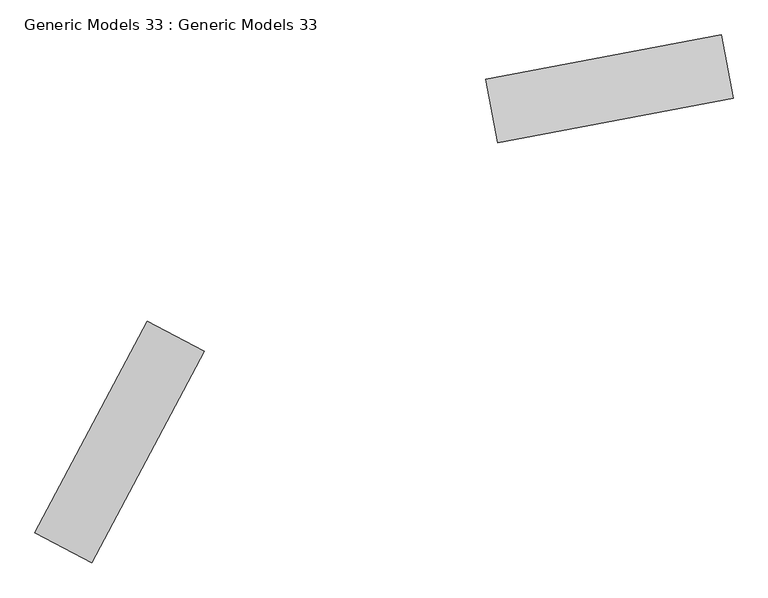
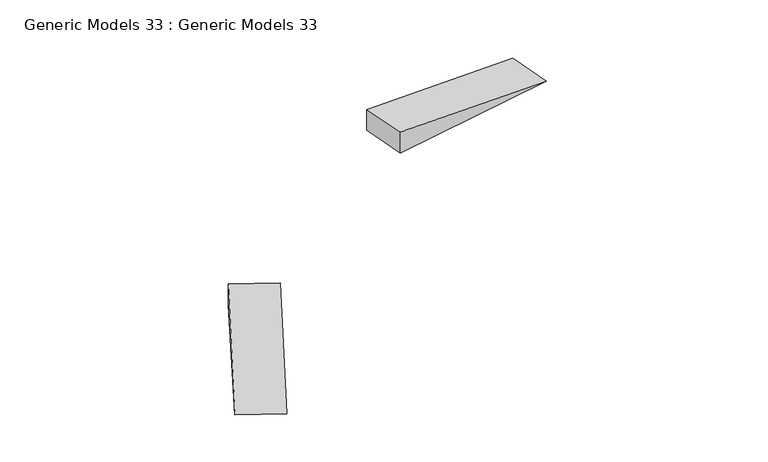
"""IFC4 building model written with IfcOpenShell, lengths in millimetres: proxy geometry, Generic Models 33 : Generic Models 33."""

from ifc_helpers import new_model, si_unit, frame, origin, place, context, project, spatial, polyline, outline, extrude, source, transform, mapped, element, save


def generic_models_33_generic_models_33_843564a5(model_context):
    return source(origin(), model_context, "Body", "SweptSolid", [
        extrude(outline(polyline([(-53824.5190369, 0.0), (-48678.5017427, 0.0), (-53824.5190369, -680.0), (-53824.5190369, 0.0)])), frame((-112581.6195532, -29776.5612976, 0.0), z_axis=(-0.18539676556461418, 0.9826637468219633, 0.0), x_axis=(0.9826637468219633, 0.18539676556461418, 0.0)), (0.0, 0.0, 1.0), 1386.719539),
        extrude(outline(polyline([(-680.0, 0.0), (0.0, 0.0), (-680.0, -5146.0172942), (-680.0, 0.0)])), frame((-171782.9124956, -44242.9939375, 680.0), z_axis=(-0.8830233946315735, 0.4693289726123163, 0.0), x_axis=(0.0, 0.0, 1.0)), (0.0, 0.0, 1.0), 1386.719539),
    ])


if __name__ == "__main__":
    model = new_model("IFC4")
    model_context = context("Model", 3, world=origin())
    ifc_project = project(units=[si_unit("LENGTHUNIT", "METRE", prefix="MILLI")], contexts=[model_context])
    site = spatial("IfcSite", under=ifc_project)
    building = spatial("IfcBuilding", under=site)
    placement = place(None, origin())
    generic_models_33_generic_models_33_shape = generic_models_33_generic_models_33_843564a5(model_context)
    element("IfcBuildingElementProxy", 1, Name="Generic Models 33 : Generic Models 33", ObjectType="Generic Models 33 : Generic Models 33", at=placement, inside=building, context=model_context, shape_type="MappedRepresentation", body=[
        mapped(generic_models_33_generic_models_33_shape, transform((0.0, 0.0, 0.0), x_axis=(1.0, 0.0, 0.0), y_axis=(0.0, 1.0, 0.0), z_axis=(0.0, 0.0, 1.0))),
    ])
    save(model, "model.ifc")
